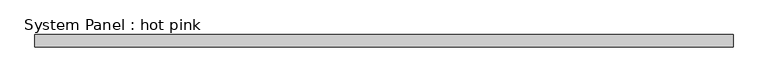
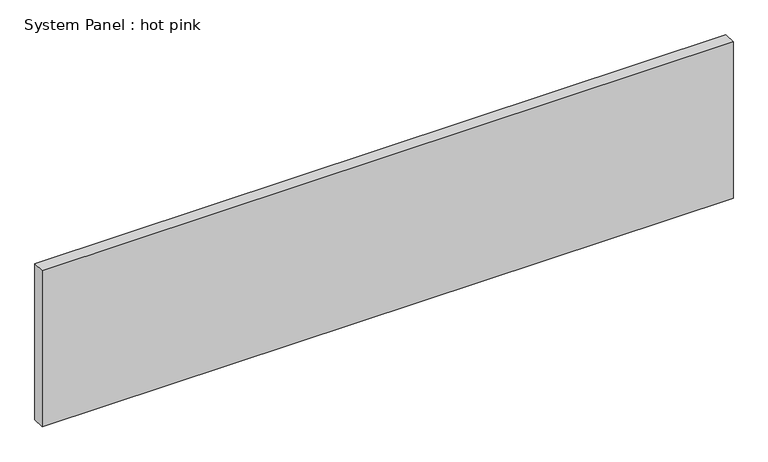
"""IFC4 building model written with IfcOpenShell, lengths in millimetres: plate geometry, System Panel : hot pink."""

from ifc_helpers import new_model, si_unit, origin, origin_with_axes, place, context, project, spatial, polyline, outline, extrude, source, transform, mapped, element, save


def system_panel_hot_pink_aa3e36a3(model_context):
    return source(origin(), model_context, "Body", "SweptSolid", [
        extrude(outline(polyline([(1781.175, -44.45), (-1781.175, -44.45), (-1781.175, 19.05), (1781.175, 19.05), (1781.175, -44.45)])), origin_with_axes(), (0.0, 0.0, 1.0), 850.9),
    ])


if __name__ == "__main__":
    model = new_model("IFC4")
    model_context = context("Model", 3, world=origin())
    ifc_project = project(units=[si_unit("LENGTHUNIT", "METRE", prefix="MILLI")], contexts=[model_context])
    site = spatial("IfcSite", under=ifc_project)
    building = spatial("IfcBuilding", under=site)
    placement = place(None, origin())
    system_panel_hot_pink_shape = system_panel_hot_pink_aa3e36a3(model_context)
    element("IfcPlate", 1, ObjectType="System Panel : hot pink", at=placement, inside=building, context=model_context, shape_type="MappedRepresentation", body=[
        mapped(system_panel_hot_pink_shape, transform((0.0, 0.0, 0.0), x_axis=(1.0, 0.0, 0.0), y_axis=(0.0, 1.0, 0.0), z_axis=(0.0, 0.0, 1.0))),
    ])
    save(model, "model.ifc")
